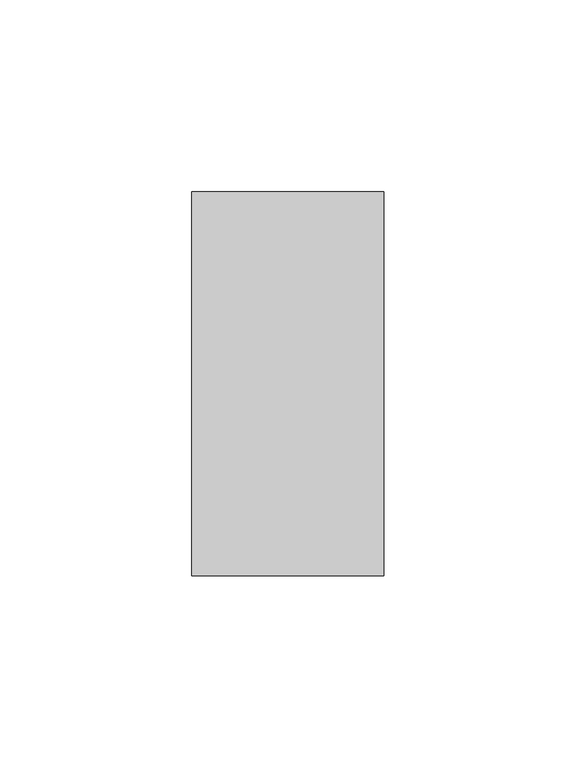
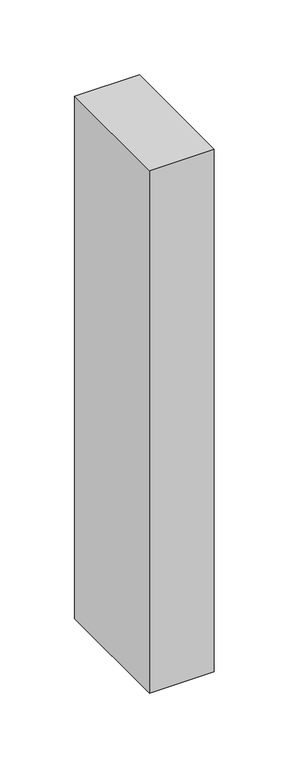
"""IFC4 building model written with IfcOpenShell, lengths in millimetres: member geometry."""

from ifc_helpers import new_model, si_unit, frame, origin, place, context, project, spatial, polyline, outline, extrude, source, transform, mapped, element, save


def member_e3989641(model_context):
    return source(origin(), model_context, "Body", "SweptSolid", [
        extrude(outline(polyline([(0.0, 50.0), (0.0, -50.0), (-50.0, -50.0), (-50.0, 50.0), (0.0, 50.0)])), frame((0.0, 0.0, -426.7066473), z_axis=(0.0, 0.0, 1.0), x_axis=(1.0, 0.0, 0.0)), (0.0, 0.0, 1.0), 426.7066473),
    ])


if __name__ == "__main__":
    model = new_model("IFC4")
    model_context = context("Model", 3, world=origin())
    ifc_project = project(units=[si_unit("LENGTHUNIT", "METRE", prefix="MILLI")], contexts=[model_context])
    site = spatial("IfcSite", under=ifc_project)
    building = spatial("IfcBuilding", under=site)
    placement = place(None, origin())
    member_shape = member_e3989641(model_context)
    element("IfcMember", 1, at=placement, inside=building, context=model_context, shape_type="MappedRepresentation", body=[
        mapped(member_shape, transform((0.0, 0.0, 0.0), x_axis=(1.0, 0.0, 0.0), y_axis=(0.0, 1.0, 0.0), z_axis=(0.0, 0.0, 1.0))),
    ])
    save(model, "model.ifc")
